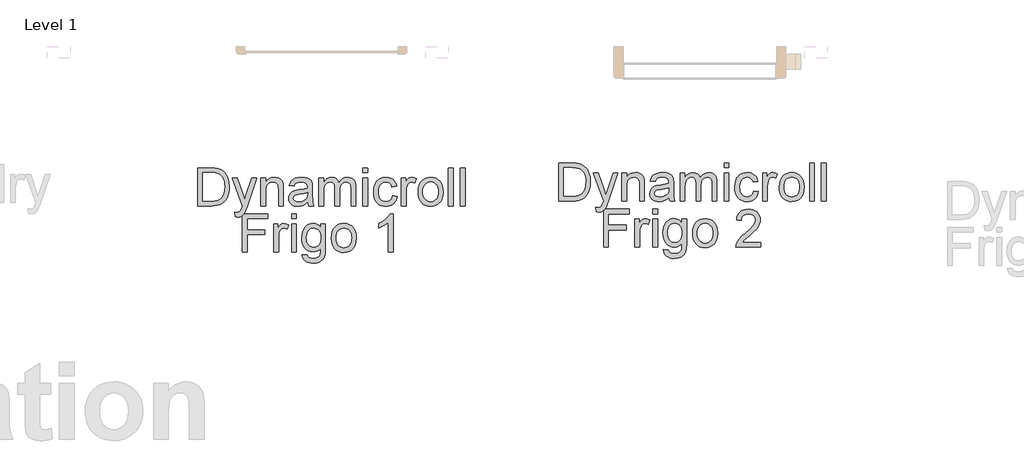
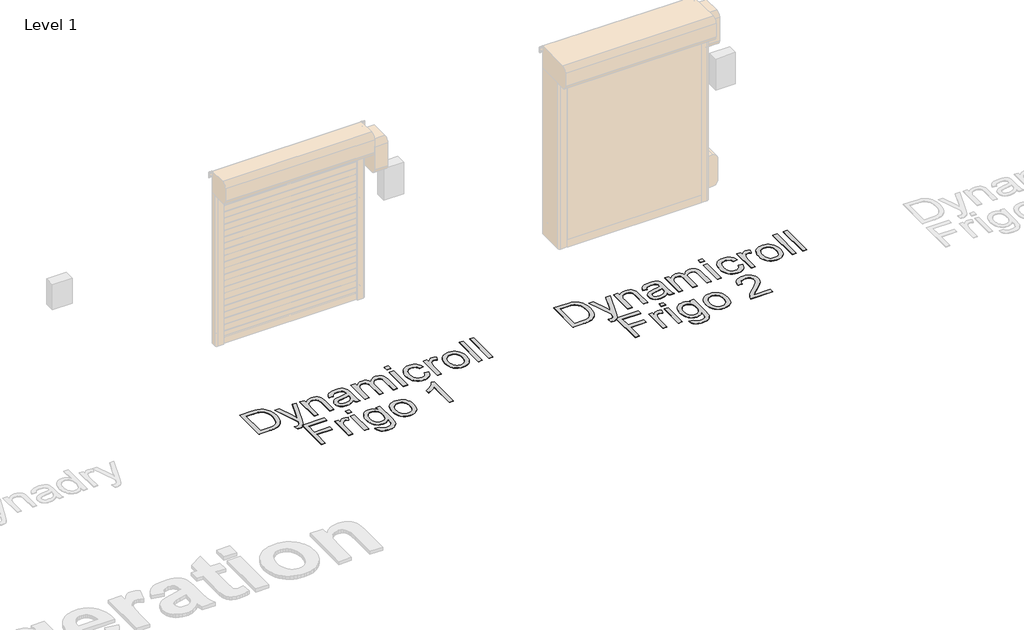
# One storey, part 4 of 18: 2 proxies.
"""IFC4 building model written with IfcOpenShell, lengths in millimetres."""

from ifc_helpers import new_model, si_unit, origin, origin_with_axes, place, context, project, spatial, polyline, outline, extrude, element, save

model = new_model("IFC4")

# Units and contexts
model_context = context("Model", 3, world=origin())
ifc_project = project(units=[si_unit("LENGTHUNIT", "METRE", prefix="MILLI")], contexts=[model_context])

# Site, building, storey
site = spatial("IfcSite", under=ifc_project)
building = spatial("IfcBuilding", under=site)
storey = spatial("IfcBuildingStorey", under=building, Name="Level 1", Elevation=0.0)

# Proxies
placement = place(None, origin())
element("IfcBuildingElementProxy", 1, Name="500mm", ObjectType="500mm", at=placement, inside=storey, context=model_context, shape_type="SweptSolid", body=[
    extrude(outline(polyline([(14861.4528433, 7547.2366873), (14861.4528433, 8049.5182381), (15034.725263, 8049.5182381), (15086.5046538, 8047.7094849), (15124.3658425, 8042.2832255), (15164.4036663, 8028.3343665), (15198.1874962, 8006.3534173), (15216.803858, 7988.3885132), (15232.9216879, 7968.0936898), (15246.5409859, 7945.4689471), (15257.6617521, 7920.5142851), (15272.4690024, 7864.5349081), (15277.4047525, 7801.075264), (15274.0631577, 7747.1652233), (15264.0383733, 7699.7237743), (15248.7712705, 7659.3333969), (15229.7027204, 7626.5765709), (15207.752428, 7600.7175324), (15183.8400984, 7581.0205172), (15156.3869045, 7566.4125363), (15123.8140195, 7555.8206005), (15086.0601297, 7549.3826656), (15043.0639215, 7547.2366873), (14861.4528433, 7547.2366873)]), holes=[polyline([(14924.2380371, 7610.0218811), (15035.3383996, 7610.0218811), (15081.2929922, 7612.2904868), (15116.1498112, 7619.0963037), (15142.4533739, 7630.0407931), (15162.7481973, 7644.725416), (15184.5605339, 7671.9026984), (15200.9466111, 7707.0814142), (15211.2013218, 7750.4148476), (15214.6195586, 7802.0562826), (15212.9449291, 7838.507257), (15207.9210406, 7870.4823337), (15199.5478931, 7897.9815129), (15187.8254866, 7921.0047944), (15173.704183, 7940.0733445), (15158.1343439, 7955.7083293), (15141.1159696, 7967.9097488), (15122.6490598, 7976.677603), (15086.5353106, 7984.2191839), (15033.621617, 7986.7330442), (14924.2380371, 7986.7330442), (14924.2380371, 7610.0218811)])]), origin_with_axes(), (0.0, 0.0, 1.0), 5.0),
    extrude(outline(polyline([(15355.8862448, 7405.9700012), (15348.0380955, 7466.4252757), (15379.9212018, 7460.9070458), (15396.6904894, 7462.6391568), (15409.7196434, 7467.83549), (15419.8670551, 7476.1281633), (15427.9911158, 7487.1492948), (15445.1589423, 7533.3797988), (15450.0640355, 7548.585588), (15316.6454986, 7916.0997011), (15382.8642578, 7916.0997011), (15453.6202282, 7711.3120572), (15478.2683218, 7629.3969996), (15502.9164155, 7701.7471253), (15575.6344232, 7916.0997011), (15641.362673, 7916.0997011), (15512.9718567, 7538.4075194), (15479.6172225, 7456.4924618), (15462.5413665, 7430.3421833), (15443.196905, 7412.2239951), (15420.7254464, 7401.6473877), (15394.2685996, 7398.1218519), (15376.0890977, 7400.0838892), (15355.8862448, 7405.9700012)])), origin_with_axes(), (0.0, 0.0, 1.0), 5.0),
    extrude(outline(polyline([(15693.3566617, 7547.2366873), (15693.3566617, 7916.0997011), (15756.1418555, 7916.0997011), (15756.1418555, 7864.5962218), (15777.9541922, 7890.5625593), (15804.1504559, 7909.1099432), (15834.7306467, 7920.2383736), (15869.6947647, 7923.9478504), (15900.6428375, 7920.9588092), (15928.9850796, 7911.9916855), (15952.6214978, 7898.1654539), (15969.4520991, 7880.5990886), (15980.8717693, 7859.338575), (15988.2753945, 7834.4298982), (15991.5863324, 7773.729369), (15991.5863324, 7547.2366873), (15928.8011386, 7547.2366873), (15928.8011386, 7765.2680831), (15926.9923855, 7797.7336692), (15921.566126, 7820.8182644), (15911.5566701, 7837.3576258), (15895.9983274, 7850.1875103), (15876.0560575, 7858.41887), (15852.8948203, 7861.1626565), (15833.8301023, 7859.6221507), (15816.1219492, 7855.0006331), (15799.7703609, 7847.2981038), (15784.7753375, 7836.5145628), (15772.2481891, 7821.4237368), (15763.300226, 7800.7993525), (15757.9314481, 7774.6414098), (15756.1418555, 7742.9499087), (15756.1418555, 7547.2366873), (15693.3566617, 7547.2366873)])), origin_with_axes(), (0.0, 0.0, 1.0), 5.0),
    extrude(outline(polyline([(16313.3604509, 7594.3255827), (16283.3627399, 7568.6044999), (16252.4759807, 7551.7738986), (16219.9950662, 7542.4848782), (16185.2148892, 7539.3885381), (16157.2596897, 7541.2509407), (16132.7457197, 7546.8381485), (16111.6729791, 7556.1501615), (16094.0414681, 7569.1869797), (16080.1194338, 7585.1208686), (16070.1751237, 7603.1240937), (16064.2085375, 7623.1966551), (16062.2196755, 7645.3385527), (16065.2240451, 7671.3662038), (16074.237154, 7695.002622), (16088.1400278, 7715.2361318), (16105.8136919, 7731.0550576), (16126.5836963, 7743.0112224), (16149.7755904, 7751.6564493), (16204.0994983, 7761.0987538), (16268.2949065, 7771.0315677), (16312.9925689, 7782.6811642), (16313.3604509, 7796.66068), (16309.0378374, 7824.6810253), (16296.0699971, 7843.0138114), (16282.9948579, 7850.9539312), (16267.0686332, 7856.6254452), (16226.6629274, 7861.1626565), (16189.2615912, 7858.1429585), (16163.1419695, 7849.0838643), (16145.3303496, 7832.3299052), (16132.8530186, 7806.2256119), (16070.0678247, 7814.0737611), (16080.9663289, 7848.409414), (16097.2297787, 7875.387427), (16120.3756876, 7896.0194756), (16151.9215687, 7911.3172352), (16190.5031929, 7920.7901966), (16234.7563313, 7923.9478504), (16277.2007164, 7921.1580786), (16310.8465906, 7912.7887632), (16336.2151198, 7900.2041333), (16353.8274704, 7884.7684179), (16365.5077237, 7865.6845394), (16373.0799614, 7842.1554201), (16376.1456447, 7787.2183755), (16376.1456447, 7709.1047652), (16379.3339554, 7600.0277536), (16384.0551076, 7573.065069), (16391.8419432, 7547.2366873), (16329.0567493, 7547.2366873), (16319.0013081, 7569.0643524), (16313.3604509, 7594.3255827)]), holes=[polyline([(16313.3604509, 7719.8959704), (16271.1766488, 7709.4419903), (16212.0702749, 7700.6434793), (16158.0529353, 7690.4654108), (16143.9967774, 7683.5063097), (16133.5887826, 7673.910721), (16127.1508477, 7662.4144086), (16125.0048694, 7649.7531366), (16129.6800364, 7631.0831254), (16143.7055374, 7615.7853657), (16166.7748042, 7605.5766404), (16198.5812684, 7602.1737319), (16232.3037846, 7605.929194), (16262.1022262, 7617.1955801), (16286.2598106, 7633.7962551), (16303.059755, 7653.5545839), (16310.5093654, 7673.910721), (16312.9925689, 7702.1150073), (16313.3604509, 7719.8959704)])]), origin_with_axes(), (0.0, 0.0, 1.0), 5.0),
    extrude(outline(polyline([(16462.4752863, 7547.2366873), (16462.4752863, 7916.0997011), (16525.2604801, 7916.0997011), (16525.2604801, 7855.3991719), (16544.1450892, 7883.2815615), (16568.4253009, 7905.1245549), (16597.2733807, 7919.2420265), (16629.8615941, 7923.9478504), (16664.7797268, 7919.150056), (16692.7694152, 7904.756673), (16713.6773753, 7881.718063), (16727.3503228, 7850.984588), (16750.2356486, 7882.9060153), (16776.3399418, 7905.7070348), (16805.6632025, 7919.3876465), (16838.2054307, 7923.9478504), (16863.3402016, 7922.0509588), (16885.401625, 7916.3602842), (16904.3897009, 7906.8758265), (16920.3044293, 7893.5975858), (16932.8852271, 7876.3722778), (16941.8715112, 7855.0466184), (16947.2632817, 7829.6206075), (16949.0605386, 7800.0942453), (16949.0605386, 7547.2366873), (16886.2753447, 7547.2366873), (16886.2753447, 7773.1162323), (16884.8191451, 7804.4321872), (16880.4505465, 7825.5394167), (16872.2651721, 7839.9941134), (16859.3586454, 7851.35247), (16842.7579704, 7858.7101099), (16823.4901509, 7861.1626565), (16805.6976915, 7859.5914938), (16789.4763947, 7854.8780058), (16774.8262607, 7847.0221923), (16761.7472893, 7836.0240535), (16750.9905731, 7821.5616926), (16743.3072043, 7803.3132128), (16738.6971831, 7781.2786141), (16737.1605093, 7755.4578966), (16737.1605093, 7547.2366873), (16674.3753155, 7547.2366873), (16674.3753155, 7780.1059903), (16670.7424808, 7815.6066028), (16659.8439767, 7840.9291468), (16651.4171797, 7849.7813073), (16640.6681277, 7856.1042791), (16612.2032583, 7861.1626565), (16588.0150171, 7857.7904049), (16565.7274996, 7847.67365), (16547.3333998, 7831.0576466), (16534.825412, 7808.1876492), (16527.6517131, 7776.4578271), (16525.2604801, 7733.2623495), (16525.2604801, 7547.2366873), (16462.4752863, 7547.2366873)])), origin_with_axes(), (0.0, 0.0, 1.0), 5.0),
    extrude(outline(polyline([(17043.2383293, 7986.7330442), (17043.2383293, 8049.5182381), (17106.0235232, 8049.5182381), (17106.0235232, 7986.7330442), (17043.2383293, 7986.7330442)])), origin_with_axes(), (0.0, 0.0, 1.0), 5.0),
    extrude(outline(polyline([(17043.2383293, 7547.2366873), (17043.2383293, 7916.0997011), (17106.0235232, 7916.0997011), (17106.0235232, 7547.2366873), (17043.2383293, 7547.2366873)])), origin_with_axes(), (0.0, 0.0, 1.0), 5.0),
    extrude(outline(polyline([(17435.6457908, 7680.6552242), (17498.4309847, 7672.807075), (17491.6021751, 7643.1810781), (17480.9259331, 7616.9656538), (17466.4022585, 7594.1608022), (17448.0311513, 7574.7665233), (17426.5866967, 7559.2886548), (17402.8429796, 7548.2330344), (17376.8, 7541.5996621), (17348.457758, 7539.3885381), (17313.2445533, 7542.4733819), (17281.6718474, 7551.7279133), (17253.7396405, 7567.1521324), (17229.4479325, 7588.7460391), (17209.7854063, 7616.1034304), (17195.7407447, 7648.8181032), (17187.3139478, 7686.8900576), (17184.5050155, 7730.3192936), (17189.3028098, 7786.1913716), (17203.6961929, 7834.6138392), (17214.5487117, 7855.5639524), (17227.9150909, 7873.7166296), (17243.7953304, 7889.0718708), (17262.1894301, 7901.629676), (17303.1929442, 7918.3683068), (17347.5993667, 7923.9478504), (17375.4549315, 7922.0317983), (17400.651016, 7916.2836421), (17423.1876204, 7906.7033818), (17443.0647444, 7893.2910174), (17459.945163, 7876.3531172), (17473.4916511, 7856.1962496), (17483.7042086, 7832.8204145), (17490.5828355, 7806.2256119), (17427.7976416, 7798.3774627), (17416.4086282, 7825.7693429), (17398.6736503, 7845.4050444), (17375.5737267, 7857.2232535), (17348.089876, 7861.1626565), (17326.7565524, 7859.2236118), (17307.5155576, 7853.4064778), (17290.3668917, 7843.7112544), (17275.3105546, 7830.1379416), (17263.0516535, 7812.3723069), (17254.2952956, 7790.1001178), (17249.0414809, 7763.3213742), (17247.2902093, 7732.0360762), (17249.0031598, 7700.2794294), (17254.1420115, 7673.1902854), (17262.7067642, 7650.7686442), (17274.6974179, 7633.0145058), (17289.4548509, 7619.5216673), (17306.3199411, 7609.8839254), (17325.2926886, 7604.1012803), (17346.3730933, 7602.1737319), (17378.8846647, 7606.9868547), (17405.5407809, 7621.426223), (17416.3204898, 7632.3477197), (17424.9312277, 7645.8597188), (17435.6457908, 7680.6552242)])), origin_with_axes(), (0.0, 0.0, 1.0), 5.0),
    extrude(outline(polyline([(17553.3680293, 7547.2366873), (17553.3680293, 7916.0997011), (17608.3050739, 7916.0997011), (17608.3050739, 7861.5305385), (17628.5998973, 7893.1683901), (17647.3005654, 7911.8077445), (17666.0625472, 7920.9128239), (17686.5413115, 7923.9478504), (17717.8112811, 7919.1040708), (17749.5717601, 7904.572732), (17728.6024863, 7848.2867867), (17706.5295666, 7857.9436891), (17684.4566469, 7861.1626565), (17665.7099936, 7858.0663164), (17648.9560344, 7848.777296), (17635.4210426, 7834.0007025), (17626.3312917, 7814.4416431), (17618.6977403, 7779.3702263), (17616.1532231, 7741.1104988), (17616.1532231, 7547.2366873), (17553.3680293, 7547.2366873)])), origin_with_axes(), (0.0, 0.0, 1.0), 5.0),
    extrude(outline(polyline([(17773.1162077, 7731.6681942), (17776.511452, 7779.4392041), (17786.6971847, 7820.6036666), (17803.673406, 7855.1615815), (17827.4401157, 7883.1129489), (17851.3677738, 7900.9782183), (17877.7786354, 7913.739125), (17906.6727004, 7921.395669), (17938.0499689, 7923.9478504), (17972.688358, 7920.8400139), (18004.008145, 7911.5165046), (18032.0093297, 7895.9773224), (18056.6919124, 7874.2224674), (18076.8372837, 7846.9877034), (18091.2268347, 7815.0087945), (18099.8605652, 7778.2857408), (18102.7384754, 7736.8185422), (18097.6494412, 7673.3895548), (18091.2881483, 7647.3542395), (18082.3823384, 7625.105043), (18071.0431423, 7605.8870408), (18057.3816911, 7588.9453085), (18041.3979848, 7574.2798461), (18023.0920235, 7561.8906534), (17982.3644209, 7545.0140669), (17938.0499689, 7539.3885381), (17902.9057421, 7542.4848782), (17871.2947152, 7551.7738986), (17843.2168883, 7567.2555992), (17818.6722615, 7588.9299801), (17798.741488, 7616.4291592), (17784.5052212, 7649.3852546), (17775.9634611, 7687.7982663), (17773.1162077, 7731.6681942)]), holes=[polyline([(17835.9014016, 7731.7908216), (17837.7178189, 7701.3370901), (17843.167071, 7674.9683817), (17852.2491578, 7652.6846963), (17864.9640792, 7634.4860338), (17880.4304514, 7620.3494017), (17897.7668904, 7610.2518074), (17916.9733963, 7604.1932508), (17938.0499689, 7602.1737319), (17959.0192426, 7604.2047471), (17978.1491064, 7610.2977926), (17995.4395602, 7620.4528686), (18010.890604, 7634.6699748), (18023.6055254, 7653.0487462), (18032.6876122, 7675.6888173), (18038.1368642, 7702.5901882), (18039.9532816, 7733.7528589), (18038.1253679, 7763.2409), (18032.6416269, 7788.9198297), (18023.5020586, 7810.7896479), (18010.706663, 7828.8503546), (17995.1981376, 7842.9869867), (17977.9191801, 7853.084581), (17958.8697906, 7859.1431377), (17938.0499689, 7861.1626565), (17916.9733963, 7859.1508019), (17897.7668904, 7853.1152379), (17880.4304514, 7843.0559646), (17864.9640792, 7828.9729819), (17852.2491578, 7810.827969), (17843.167071, 7788.5826046), (17837.7178189, 7762.2368888), (17835.9014016, 7731.7908216)])]), origin_with_axes(), (0.0, 0.0, 1.0), 5.0),
    extrude(outline(polyline([(18173.3718185, 7547.2366873), (18173.3718185, 8049.5182381), (18236.1570123, 8049.5182381), (18236.1570123, 7547.2366873), (18173.3718185, 7547.2366873)])), origin_with_axes(), (0.0, 0.0, 1.0), 5.0),
    extrude(outline(polyline([(18330.3348031, 7547.2366873), (18330.3348031, 8049.5182381), (18393.119997, 8049.5182381), (18393.119997, 7547.2366873), (18330.3348031, 7547.2366873)])), origin_with_axes(), (0.0, 0.0, 1.0), 5.0),
    extrude(outline(polyline([(15450.0640355, 6937.3625981), (15450.0640355, 7439.6441488), (15787.5344524, 7439.6441488), (15787.5344524, 7376.858955), (15512.8492294, 7376.858955), (15512.8492294, 7227.7441196), (15748.2937063, 7227.7441196), (15748.2937063, 7164.9589258), (15512.8492294, 7164.9589258), (15512.8492294, 6937.3625981), (15450.0640355, 6937.3625981)])), origin_with_axes(), (0.0, 0.0, 1.0), 5.0),
    extrude(outline(polyline([(15866.0159448, 6937.3625981), (15866.0159448, 7306.2256119), (15920.9529894, 7306.2256119), (15920.9529894, 7251.6564493), (15941.2478128, 7283.2943009), (15959.9484809, 7301.9336553), (15978.7104626, 7311.0387347), (15999.189227, 7314.0737611), (16030.4591966, 7309.2299815), (16062.2196755, 7294.6986427), (16041.2504018, 7238.4126975), (16019.1774821, 7248.0695998), (15997.1045624, 7251.2885673), (15978.357909, 7248.1922272), (15961.6039498, 7238.9032068), (15948.0689581, 7224.1266133), (15938.9792071, 7204.5675539), (15931.3456557, 7169.496137), (15928.8011386, 7131.2364095), (15928.8011386, 6937.3625981), (15866.0159448, 6937.3625981)])), origin_with_axes(), (0.0, 0.0, 1.0), 5.0),
    extrude(outline(polyline([(16101.4604217, 7376.858955), (16101.4604217, 7439.6441488), (16164.2456155, 7439.6441488), (16164.2456155, 7376.858955), (16101.4604217, 7376.858955)])), origin_with_axes(), (0.0, 0.0, 1.0), 5.0),
    extrude(outline(polyline([(16101.4604217, 6937.3625981), (16101.4604217, 7306.2256119), (16164.2456155, 7306.2256119), (16164.2456155, 6937.3625981), (16101.4604217, 6937.3625981)])), origin_with_axes(), (0.0, 0.0, 1.0), 5.0),
    extrude(outline(polyline([(16242.7271078, 6905.9700012), (16305.5123017, 6898.1218519), (16312.4407459, 6878.5014789), (16325.8684387, 6865.0124724), (16352.2639719, 6854.5278355), (16386.8142226, 6851.0329565), (16423.6637358, 6854.987688), (16451.0709444, 6866.8518823), (16470.0781808, 6885.8591188), (16481.7277773, 6911.2429764), (16485.1306858, 6938.2516462), (16486.019734, 6984.4514935), (16465.1271023, 6963.8501017), (16441.8125809, 6949.1348219), (16416.0761696, 6940.305654), (16387.9178686, 6937.3625981), (16353.4940773, 6940.7884992), (16323.1859658, 6951.0662024), (16296.9935342, 6968.1957078), (16274.9167824, 6992.1770154), (16257.4002345, 7020.9484531), (16244.8884145, 7052.4483489), (16237.3813226, 7086.6767029), (16234.8789586, 7123.633515), (16239.3701846, 7174.3245882), (16252.8438627, 7220.9383027), (16274.8248119, 7260.4396319), (16288.8273203, 7276.3850172), (16304.8378513, 7289.7935495), (16322.5996539, 7300.4161421), (16341.8559771, 7308.0037082), (16362.6068209, 7312.5562479), (16384.8521853, 7314.0737611), (16414.213767, 7310.6401959), (16440.862219, 7300.3395), (16464.7975414, 7283.1716735), (16486.019734, 7259.1367165), (16486.019734, 7306.2256119), (16548.8049278, 7306.2256119), (16548.8049278, 6987.7624314), (16544.5129712, 6914.2320176), (16539.1480254, 6886.8822906), (16531.6371014, 6865.80955), (16509.4568827, 6833.6965175), (16477.2518797, 6809.0944091), (16457.5663609, 6799.9740013), (16435.7271995, 6793.4594243), (16385.5879493, 6788.2477627), (16354.8276495, 6790.0833406), (16327.1713541, 6795.5900742), (16302.619063, 6804.7679635), (16281.1707763, 6817.6170086), (16263.8458336, 6834.1525379), (16251.6635746, 6854.3898798), (16244.6239994, 6878.3290342), (16242.7271078, 6905.9700012)]), holes=[polyline([(16297.6641524, 7127.9254716), (16299.3387819, 7096.8815961), (16304.3626704, 7070.3366109), (16312.7358179, 7048.2905159), (16324.4582244, 7030.7433112), (16338.7098196, 7017.3577715), (16354.6705333, 7007.7966717), (16372.3403653, 7002.0600119), (16391.7193159, 7000.1477919), (16410.9066612, 7002.0485156), (16428.492187, 7007.7506865), (16444.4758932, 7017.2543047), (16458.85778, 7030.5593702), (16470.7411348, 7047.9341303), (16479.2292455, 7069.6468322), (16484.3221118, 7095.697476), (16486.019734, 7126.0860616), (16484.2722945, 7155.2062208), (16479.029976, 7180.5172685), (16470.2927787, 7202.0192047), (16458.0607023, 7219.7120294), (16443.3684151, 7233.5267647), (16427.2505852, 7243.3944328), (16409.7072126, 7249.3150337), (16390.7382972, 7251.2885673), (16372.0874465, 7249.3456905), (16354.8851311, 7243.5170601), (16339.1313511, 7233.8026762), (16324.8261064, 7220.2025387), (16312.9427515, 7202.7779613), (16304.4546409, 7181.5902576), (16299.3617745, 7156.6394277), (16297.6641524, 7127.9254716)])]), origin_with_axes(), (0.0, 0.0, 1.0), 5.0),
    extrude(outline(polyline([(16627.2864201, 7121.794105), (16630.6816644, 7169.5651149), (16640.8673971, 7210.7295773), (16657.8436183, 7245.2874923), (16681.6103281, 7273.2388597), (16705.5379862, 7291.1041291), (16731.9488477, 7303.8650358), (16760.8429128, 7311.5215798), (16792.2201813, 7314.0737611), (16826.8585704, 7310.9659247), (16858.1783573, 7301.6424154), (16886.1795421, 7286.1032332), (16910.8621247, 7264.3483781), (16931.0074961, 7237.1136142), (16945.397047, 7205.1347053), (16954.0307776, 7168.4116516), (16956.9086878, 7126.9444529), (16951.8196535, 7063.5154656), (16945.4583607, 7037.4801502), (16936.5525507, 7015.2309537), (16925.2133546, 6996.0129516), (16911.5519035, 6979.0712193), (16895.5681972, 6964.4057568), (16877.2622358, 6952.0165642), (16836.5346333, 6935.1399777), (16792.2201813, 6929.5144488), (16757.0759544, 6932.610789), (16725.4649276, 6941.8998094), (16697.3871007, 6957.38151), (16672.8424738, 6979.0558909), (16652.9117003, 7006.55507), (16638.6754335, 7039.5111654), (16630.1336735, 7077.9241771), (16627.2864201, 7121.794105)]), holes=[polyline([(16690.0716139, 7121.9167323), (16691.8880313, 7091.4630009), (16697.3372834, 7065.0942925), (16706.4193701, 7042.8106071), (16719.1342916, 7024.6119446), (16734.6006638, 7010.4753125), (16751.9371028, 7000.3777182), (16771.1436086, 6994.3191616), (16792.2201813, 6992.2996427), (16813.189455, 6994.3306579), (16832.3193187, 7000.4237034), (16849.6097725, 7010.5787793), (16865.0608163, 7024.7958856), (16877.7757378, 7043.1746569), (16886.8578245, 7065.8147281), (16892.3070766, 7092.716099), (16894.1234939, 7123.8787696), (16892.2955803, 7153.3668108), (16886.8118393, 7179.0457405), (16877.672271, 7200.9155587), (16864.8768753, 7218.9762654), (16849.36835, 7233.1128975), (16832.0893925, 7243.2104918), (16813.0400029, 7249.2690484), (16792.2201813, 7251.2885673), (16771.1436086, 7249.2767126), (16751.9371028, 7243.2411487), (16734.6006638, 7233.1818753), (16719.1342916, 7219.0988927), (16706.4193701, 7200.9538797), (16697.3372834, 7178.7085153), (16691.8880313, 7152.3627995), (16690.0716139, 7121.9167323)])]), origin_with_axes(), (0.0, 0.0, 1.0), 5.0),
    extrude(outline(polyline([(17443.4939401, 6937.3625981), (17380.7087462, 6937.3625981), (17380.7087462, 7328.7890409), (17354.4971541, 7307.589841), (17321.2344903, 7286.4212978), (17255.1383585, 7254.7221326), (17255.1383585, 7314.0737611), (17304.4498743, 7340.89849), (17347.170171, 7372.812253), (17380.846702, 7406.7493671), (17403.0269206, 7439.6441488), (17443.4939401, 7439.6441488), (17443.4939401, 6937.3625981)])), origin_with_axes(), (0.0, 0.0, 1.0), 5.0),
])
element("IfcBuildingElementProxy", 2, Name="500mm", ObjectType="500mm", at=placement, inside=storey, context=model_context, shape_type="SweptSolid", body=[
    extrude(outline(polyline([(19635.3862268, 7610.4555859), (19635.3862268, 8112.7371367), (19808.6586466, 8112.7371367), (19860.4380374, 8110.9283835), (19898.299226, 8105.5021241), (19938.3370499, 8091.5532651), (19972.1208797, 8069.5723159), (19990.7372415, 8051.6074118), (20006.8550715, 8031.3125884), (20020.4743695, 8008.6878457), (20031.5951356, 7983.7331837), (20046.4023859, 7927.7538068), (20051.338136, 7864.2941626), (20047.9965413, 7810.3841219), (20037.9717569, 7762.9426729), (20022.7046541, 7722.5522955), (20003.636104, 7689.7954695), (19981.6858116, 7663.936431), (19957.7734819, 7644.2394158), (19930.320288, 7629.6314349), (19897.7474031, 7619.0394991), (19859.9935133, 7612.6015642), (19816.9973051, 7610.4555859), (19635.3862268, 7610.4555859)]), holes=[polyline([(19698.1714207, 7673.2407798), (19809.2717832, 7673.2407798), (19855.2263758, 7675.5093854), (19890.0831948, 7682.3152023), (19916.3867575, 7693.2596917), (19936.6815809, 7707.9443146), (19958.4939175, 7735.121597), (19974.8799947, 7770.3003128), (19985.1347053, 7813.6337462), (19988.5529422, 7865.2751812), (19986.8783127, 7901.7261556), (19981.8544242, 7933.7012323), (19973.4812767, 7961.2004115), (19961.7588702, 7984.223693), (19947.6375665, 8003.2922431), (19932.0677275, 8018.9272279), (19915.0493531, 8031.1286474), (19896.5824434, 8039.8965016), (19860.4686942, 8047.4380825), (19807.5550006, 8049.9519428), (19698.1714207, 8049.9519428), (19698.1714207, 7673.2407798)])]), origin_with_axes(), (0.0, 0.0, 1.0), 5.0),
    extrude(outline(polyline([(20129.8196283, 7469.1888998), (20121.9714791, 7529.6441743), (20153.8545854, 7524.1259444), (20170.623873, 7525.8580554), (20183.653027, 7531.0543886), (20193.8004387, 7539.3470619), (20201.9244994, 7550.3681934), (20219.0923258, 7596.5986974), (20223.9974191, 7611.8044866), (20090.5788822, 7979.3185997), (20156.7976413, 7979.3185997), (20227.5536117, 7774.5309558), (20252.2017054, 7692.6158982), (20276.8497991, 7764.9660239), (20349.5678068, 7979.3185997), (20415.2960566, 7979.3185997), (20286.9052403, 7601.626418), (20253.5506061, 7519.7113604), (20236.4747501, 7493.5610819), (20217.1302885, 7475.4428937), (20194.65883, 7464.8662863), (20168.2019832, 7461.3407505), (20150.0224812, 7463.3027878), (20129.8196283, 7469.1888998)])), origin_with_axes(), (0.0, 0.0, 1.0), 5.0),
    extrude(outline(polyline([(20467.2900453, 7610.4555859), (20467.2900453, 7979.3185997), (20530.0752391, 7979.3185997), (20530.0752391, 7927.8151204), (20551.8875757, 7953.7814579), (20578.0838395, 7972.3288418), (20608.6640303, 7983.4572722), (20643.6281483, 7987.166749), (20674.5762211, 7984.1777078), (20702.9184632, 7975.2105841), (20726.5548814, 7961.3843525), (20743.3854826, 7943.8179872), (20754.8051529, 7922.5574736), (20762.2087781, 7897.6487968), (20765.519716, 7836.9482676), (20765.519716, 7610.4555859), (20702.7345222, 7610.4555859), (20702.7345222, 7828.4869817), (20700.925769, 7860.9525678), (20695.4995096, 7884.037163), (20685.4900536, 7900.5765244), (20669.9317109, 7913.4064089), (20649.9894411, 7921.6377686), (20626.8282038, 7924.3815551), (20607.7634859, 7922.8410493), (20590.0553327, 7918.2195317), (20573.7037445, 7910.5170024), (20558.7087211, 7899.7334615), (20546.1815727, 7884.6426354), (20537.2336096, 7864.0182511), (20531.8648317, 7837.8603084), (20530.0752391, 7806.1688073), (20530.0752391, 7610.4555859), (20467.2900453, 7610.4555859)])), origin_with_axes(), (0.0, 0.0, 1.0), 5.0),
    extrude(outline(polyline([(21087.2938345, 7657.5444813), (21057.2961234, 7631.8233985), (21026.4093643, 7614.9927972), (20993.9284498, 7605.7037768), (20959.1482728, 7602.6074367), (20931.1930733, 7604.4698393), (20906.6791032, 7610.0570471), (20885.6063627, 7619.3690601), (20867.9748517, 7632.4058783), (20854.0528174, 7648.3397672), (20844.1085072, 7666.3429923), (20838.1419211, 7686.4155537), (20836.1530591, 7708.5574513), (20839.1574287, 7734.5851025), (20848.1705376, 7758.2215206), (20862.0734113, 7778.4550304), (20879.7470755, 7794.2739562), (20900.5170798, 7806.230121), (20923.7089739, 7814.8753479), (20978.0328819, 7824.3176524), (21042.2282901, 7834.2504663), (21086.9259525, 7845.9000628), (21087.2938345, 7859.8795786), (21082.971221, 7887.8999239), (21070.0033807, 7906.23271), (21056.9282414, 7914.1728298), (21041.0020167, 7919.8443439), (21000.5963109, 7924.3815551), (20963.1949748, 7921.3618571), (20937.0753531, 7912.302763), (20919.2637332, 7895.5488038), (20906.7864022, 7869.4445105), (20844.0012083, 7877.2926597), (20854.8997124, 7911.6283126), (20871.1631623, 7938.6063256), (20894.3090712, 7959.2383742), (20925.8549522, 7974.5361338), (20964.4365765, 7984.0090952), (21008.6897148, 7987.166749), (21051.1341, 7984.3769772), (21084.7799742, 7976.0076618), (21110.1485034, 7963.4230319), (21127.7608539, 7947.9873165), (21139.4411073, 7928.903438), (21147.013345, 7905.3743187), (21150.0790283, 7850.4372741), (21150.0790283, 7772.3236638), (21153.2673389, 7663.2466522), (21157.9884912, 7636.2839677), (21165.7753268, 7610.4555859), (21102.9901329, 7610.4555859), (21092.9346917, 7632.283251), (21087.2938345, 7657.5444813)]), holes=[polyline([(21087.2938345, 7783.114869), (21045.1100323, 7772.660889), (20986.0036585, 7763.8623779), (20931.9863188, 7753.6843094), (20917.9301609, 7746.7252083), (20907.5221662, 7737.1296196), (20901.0842312, 7725.6333072), (20898.9382529, 7712.9720352), (20903.61342, 7694.302024), (20917.638921, 7679.0042643), (20940.7081878, 7668.795539), (20972.514652, 7665.3926305), (21006.2371682, 7669.1480926), (21036.0356098, 7680.4144787), (21060.1931941, 7697.0151537), (21076.9931386, 7716.7734825), (21084.442749, 7737.1296196), (21086.9259525, 7765.3339059), (21087.2938345, 7783.114869)])]), origin_with_axes(), (0.0, 0.0, 1.0), 5.0),
    extrude(outline(polyline([(21236.4086698, 7610.4555859), (21236.4086698, 7979.3185997), (21299.1938637, 7979.3185997), (21299.1938637, 7918.6180705), (21318.0784728, 7946.5004601), (21342.3586844, 7968.3434536), (21371.2067642, 7982.4609251), (21403.7949776, 7987.166749), (21438.7131104, 7982.3689546), (21466.7027988, 7967.9755716), (21487.6107589, 7944.9369616), (21501.2837064, 7914.2034866), (21524.1690321, 7946.1249139), (21550.2733254, 7968.9259334), (21579.5965861, 7982.6065451), (21612.1388142, 7987.166749), (21637.2735851, 7985.2698574), (21659.3350085, 7979.5791828), (21678.3230844, 7970.0947251), (21694.2378128, 7956.8164844), (21706.8186107, 7939.5911764), (21715.8048948, 7918.265517), (21721.1966653, 7892.8395061), (21722.9939221, 7863.3131439), (21722.9939221, 7610.4555859), (21660.2087283, 7610.4555859), (21660.2087283, 7836.335131), (21658.7525287, 7867.6510858), (21654.38393, 7888.7583153), (21646.1985556, 7903.213012), (21633.292029, 7914.5713686), (21616.6913539, 7921.9290085), (21597.4235344, 7924.3815551), (21579.631075, 7922.8103924), (21563.4097783, 7918.0969044), (21548.7596443, 7910.2410909), (21535.6806729, 7899.2429521), (21524.9239567, 7884.7805912), (21517.2405879, 7866.5321114), (21512.6305667, 7844.4975127), (21511.0938929, 7818.6767952), (21511.0938929, 7610.4555859), (21448.3086991, 7610.4555859), (21448.3086991, 7843.3248889), (21444.6758644, 7878.8255014), (21433.7773603, 7904.1480454), (21425.3505633, 7913.0002059), (21414.6015113, 7919.3231777), (21386.1366419, 7924.3815551), (21361.9484007, 7921.0093035), (21339.6608832, 7910.8925486), (21321.2667834, 7894.2765452), (21308.7587956, 7871.4065478), (21301.5850967, 7839.6767257), (21299.1938637, 7796.4812481), (21299.1938637, 7610.4555859), (21236.4086698, 7610.4555859)])), origin_with_axes(), (0.0, 0.0, 1.0), 5.0),
    extrude(outline(polyline([(21817.1717129, 8049.9519428), (21817.1717129, 8112.7371367), (21879.9569067, 8112.7371367), (21879.9569067, 8049.9519428), (21817.1717129, 8049.9519428)])), origin_with_axes(), (0.0, 0.0, 1.0), 5.0),
    extrude(outline(polyline([(21817.1717129, 7610.4555859), (21817.1717129, 7979.3185997), (21879.9569067, 7979.3185997), (21879.9569067, 7610.4555859), (21817.1717129, 7610.4555859)])), origin_with_axes(), (0.0, 0.0, 1.0), 5.0),
    extrude(outline(polyline([(22209.5791744, 7743.8741228), (22272.3643683, 7736.0259736), (22265.5355587, 7706.3999767), (22254.8593167, 7680.1845524), (22240.3356421, 7657.3797008), (22221.9645349, 7637.9854219), (22200.5200803, 7622.5075534), (22176.7763632, 7611.451933), (22150.7333836, 7604.8185608), (22122.3911416, 7602.6074367), (22087.1779368, 7605.6922805), (22055.605231, 7614.9468119), (22027.6730241, 7630.371031), (22003.3813161, 7651.9649377), (21983.7187899, 7679.322329), (21969.6741283, 7712.0370018), (21961.2473314, 7750.1089562), (21958.438399, 7793.5381922), (21963.2361934, 7849.4102702), (21977.6295765, 7897.8327378), (21988.4820953, 7918.782851), (22001.8484745, 7936.9355282), (22017.7287139, 7952.2907694), (22036.1228137, 7964.8485746), (22077.1263277, 7981.5872054), (22121.5327502, 7987.166749), (22149.3883151, 7985.2506969), (22174.5843996, 7979.5025407), (22197.1210039, 7969.9222805), (22216.998128, 7956.509916), (22233.8785466, 7939.5720158), (22247.4250347, 7919.4151482), (22257.6375921, 7896.0393131), (22264.516219, 7869.4445105), (22201.7310252, 7861.5963613), (22190.3420117, 7888.9882415), (22172.6070339, 7908.623943), (22149.5071103, 7920.4421521), (22122.0232596, 7924.3815551), (22100.6899359, 7922.4425104), (22081.4489412, 7916.6253764), (22064.3002753, 7906.930153), (22049.2439382, 7893.3568402), (22036.9850371, 7875.5912055), (22028.2286792, 7853.3190164), (22022.9748645, 7826.5402728), (22021.2235929, 7795.2549748), (22022.9365434, 7763.498328), (22028.075395, 7736.409184), (22036.6401477, 7713.9875428), (22048.6308015, 7696.2334045), (22063.3882345, 7682.7405659), (22080.2533247, 7673.102824), (22099.2260722, 7667.3201789), (22120.3064769, 7665.3926305), (22152.8180482, 7670.2057533), (22179.4741645, 7684.6451216), (22190.2538734, 7695.5666183), (22198.8646113, 7709.0786175), (22209.5791744, 7743.8741228)])), origin_with_axes(), (0.0, 0.0, 1.0), 5.0),
    extrude(outline(polyline([(22327.3014129, 7610.4555859), (22327.3014129, 7979.3185997), (22382.2384575, 7979.3185997), (22382.2384575, 7924.7494371), (22402.5332809, 7956.3872887), (22421.233949, 7975.0266431), (22439.9959307, 7984.1317225), (22460.4746951, 7987.166749), (22491.7446647, 7982.3229694), (22523.5051436, 7967.7916306), (22502.5358699, 7911.5056853), (22480.4629502, 7921.1625877), (22458.3900305, 7924.3815551), (22439.6433771, 7921.285215), (22422.8894179, 7911.9961946), (22409.3544262, 7897.2196012), (22400.2646752, 7877.6605417), (22392.6311238, 7842.5891249), (22390.0866067, 7804.3293974), (22390.0866067, 7610.4555859), (22327.3014129, 7610.4555859)])), origin_with_axes(), (0.0, 0.0, 1.0), 5.0),
    extrude(outline(polyline([(22547.0495913, 7794.8870928), (22550.4448356, 7842.6581027), (22560.6305683, 7883.8225652), (22577.6067895, 7918.3804801), (22601.3734993, 7946.3318475), (22625.3011574, 7964.1971169), (22651.7120189, 7976.9580236), (22680.606084, 7984.6145676), (22711.9833525, 7987.166749), (22746.6217416, 7984.0589125), (22777.9415285, 7974.7354032), (22805.9427133, 7959.196221), (22830.6252959, 7937.441366), (22850.7706673, 7910.206602), (22865.1602182, 7878.2276932), (22873.7939488, 7841.5046394), (22876.671859, 7800.0374408), (22871.5828247, 7736.6084534), (22865.2215319, 7710.5731381), (22856.3157219, 7688.3239416), (22844.9765259, 7669.1059394), (22831.3150747, 7652.1642071), (22815.3313684, 7637.4987447), (22797.025407, 7625.1095521), (22756.2978045, 7608.2329655), (22711.9833525, 7602.6074367), (22676.8391256, 7605.7037768), (22645.2280988, 7614.9927972), (22617.1502719, 7630.4744978), (22592.6056451, 7652.1488787), (22572.6748715, 7679.6480578), (22558.4386048, 7712.6041532), (22549.8968447, 7751.0171649), (22547.0495913, 7794.8870928)]), holes=[polyline([(22609.8347852, 7795.0097202), (22611.6512025, 7764.5559887), (22617.1004546, 7738.1872803), (22626.1825413, 7715.9035949), (22638.8974628, 7697.7049324), (22654.363835, 7683.5683004), (22671.700274, 7673.470706), (22690.9067799, 7667.4121494), (22711.9833525, 7665.3926305), (22732.9526262, 7667.4236457), (22752.08249, 7673.5166913), (22769.3729437, 7683.6717672), (22784.8239875, 7697.8888734), (22797.538909, 7716.2676448), (22806.6209958, 7738.9077159), (22812.0702478, 7765.8090868), (22813.8866652, 7796.9717575), (22812.0587515, 7826.4597986), (22806.5750105, 7852.1387283), (22797.4354422, 7874.0085465), (22784.6400465, 7892.0692532), (22769.1315212, 7906.2058853), (22751.8525637, 7916.3034797), (22732.8031742, 7922.3620363), (22711.9833525, 7924.3815551), (22690.9067799, 7922.3697005), (22671.700274, 7916.3341365), (22654.363835, 7906.2748632), (22638.8974628, 7892.1918806), (22626.1825413, 7874.0468676), (22617.1004546, 7851.8015032), (22611.6512025, 7825.4557874), (22609.8347852, 7795.0097202)])]), origin_with_axes(), (0.0, 0.0, 1.0), 5.0),
    extrude(outline(polyline([(22947.3052021, 7610.4555859), (22947.3052021, 8112.7371367), (23010.0903959, 8112.7371367), (23010.0903959, 7610.4555859), (22947.3052021, 7610.4555859)])), origin_with_axes(), (0.0, 0.0, 1.0), 5.0),
    extrude(outline(polyline([(23104.2681867, 7610.4555859), (23104.2681867, 8112.7371367), (23167.0533805, 8112.7371367), (23167.0533805, 7610.4555859), (23104.2681867, 7610.4555859)])), origin_with_axes(), (0.0, 0.0, 1.0), 5.0),
    extrude(outline(polyline([(20223.9974191, 7000.5814967), (20223.9974191, 7502.8630474), (20561.467836, 7502.8630474), (20561.467836, 7440.0778536), (20286.782613, 7440.0778536), (20286.782613, 7290.9630182), (20522.2270899, 7290.9630182), (20522.2270899, 7228.1778244), (20286.782613, 7228.1778244), (20286.782613, 7000.5814967), (20223.9974191, 7000.5814967)])), origin_with_axes(), (0.0, 0.0, 1.0), 5.0),
    extrude(outline(polyline([(20639.9493283, 7000.5814967), (20639.9493283, 7369.4445105), (20694.8863729, 7369.4445105), (20694.8863729, 7314.8753479), (20715.1811963, 7346.5131995), (20733.8818644, 7365.1525539), (20752.6438462, 7374.2576333), (20773.1226106, 7377.2926597), (20804.3925802, 7372.4488801), (20836.1530591, 7357.9175413), (20815.1837854, 7301.6315961), (20793.1108657, 7311.2884984), (20771.0379459, 7314.5074659), (20752.2912926, 7311.4111258), (20735.5373334, 7302.1221054), (20722.0023417, 7287.3455119), (20712.9125907, 7267.7864525), (20705.2790393, 7232.7150356), (20702.7345222, 7194.4553081), (20702.7345222, 7000.5814967), (20639.9493283, 7000.5814967)])), origin_with_axes(), (0.0, 0.0, 1.0), 5.0),
    extrude(outline(polyline([(20875.3938052, 7440.0778536), (20875.3938052, 7502.8630474), (20938.1789991, 7502.8630474), (20938.1789991, 7440.0778536), (20875.3938052, 7440.0778536)])), origin_with_axes(), (0.0, 0.0, 1.0), 5.0),
    extrude(outline(polyline([(20875.3938052, 7000.5814967), (20875.3938052, 7369.4445105), (20938.1789991, 7369.4445105), (20938.1789991, 7000.5814967), (20875.3938052, 7000.5814967)])), origin_with_axes(), (0.0, 0.0, 1.0), 5.0),
    extrude(outline(polyline([(21016.6604914, 6969.1888998), (21079.4456852, 6961.3407505), (21086.3741295, 6941.7203775), (21099.8018223, 6928.231371), (21126.1973555, 6917.7467341), (21160.7476062, 6914.2518552), (21197.5971193, 6918.2065866), (21225.004328, 6930.0707809), (21244.0115644, 6949.0780174), (21255.6611609, 6974.461875), (21259.0640694, 7001.4705448), (21259.9531175, 7047.6703921), (21239.0604859, 7027.0690003), (21215.7459644, 7012.3537205), (21190.0095532, 7003.5245526), (21161.8512521, 7000.5814967), (21127.4274609, 7004.0073978), (21097.1193494, 7014.285101), (21070.9269178, 7031.4146064), (21048.850166, 7055.395914), (21031.333618, 7084.1673517), (21018.8217981, 7115.6672475), (21011.3147061, 7149.8956015), (21008.8123422, 7186.8524136), (21013.3035682, 7237.5434868), (21026.7772463, 7284.1572013), (21048.7581955, 7323.6585305), (21062.7607039, 7339.6039158), (21078.7712349, 7353.0124481), (21096.5330375, 7363.6350407), (21115.7893607, 7371.2226068), (21136.5402045, 7375.7751465), (21158.7855689, 7377.2926597), (21188.1471506, 7373.8590945), (21214.7956026, 7363.5583986), (21238.7309249, 7346.3905722), (21259.9531175, 7322.3556151), (21259.9531175, 7369.4445105), (21322.7383114, 7369.4445105), (21322.7383114, 7050.98133), (21318.4463548, 6977.4509162), (21313.081409, 6950.1011892), (21305.5704849, 6929.0284486), (21283.3902663, 6896.9154161), (21251.1852633, 6872.3133077), (21231.4997445, 6863.1928999), (21209.6605831, 6856.6783229), (21159.5213328, 6851.4666613), (21128.7610331, 6853.3022392), (21101.1047377, 6858.8089728), (21076.5524466, 6867.9868622), (21055.1041599, 6880.8359073), (21037.7792172, 6897.3714365), (21025.5969582, 6917.6087784), (21018.5573829, 6941.5479328), (21016.6604914, 6969.1888998)]), holes=[polyline([(21071.597536, 7191.1443702), (21073.2721655, 7160.1004947), (21078.296054, 7133.5555095), (21086.6692015, 7111.5094145), (21098.391608, 7093.9622098), (21112.6432032, 7080.5766701), (21128.6039168, 7071.0155703), (21146.2737489, 7065.2789105), (21165.6526994, 7063.3666905), (21184.8400447, 7065.2674142), (21202.4255705, 7070.9695851), (21218.4092768, 7080.4732033), (21232.7911636, 7093.7782688), (21244.6745184, 7111.1530289), (21253.162629, 7132.8657308), (21258.2554954, 7158.9163746), (21259.9531175, 7189.3049602), (21258.2056781, 7218.4251194), (21252.9633596, 7243.7361671), (21244.2261622, 7265.2381033), (21231.9940859, 7282.930928), (21217.3017987, 7296.7456633), (21201.1839688, 7306.6133314), (21183.6405962, 7312.5339323), (21164.6716808, 7314.5074659), (21146.02083, 7312.5645891), (21128.8185147, 7306.7359588), (21113.0647346, 7297.0215748), (21098.75949, 7283.4214373), (21086.8761351, 7265.9968599), (21078.3880245, 7244.8091562), (21073.2951581, 7219.8583263), (21071.597536, 7191.1443702)])]), origin_with_axes(), (0.0, 0.0, 1.0), 5.0),
    extrude(outline(polyline([(21401.2198037, 7185.0130036), (21404.6150479, 7232.7840135), (21414.8007807, 7273.9484759), (21431.7770019, 7308.5063909), (21455.5437116, 7336.4577583), (21479.4713697, 7354.3230277), (21505.8822313, 7367.0839344), (21534.7762963, 7374.7404784), (21566.1535648, 7377.2926597), (21600.791954, 7374.1848233), (21632.1117409, 7364.861314), (21660.1129257, 7349.3221318), (21684.7955083, 7327.5672767), (21704.9408796, 7300.3325128), (21719.3304306, 7268.3536039), (21727.9641612, 7231.6305502), (21730.8420714, 7190.1633515), (21725.7530371, 7126.7343642), (21719.3917443, 7100.6990488), (21710.4859343, 7078.4498523), (21699.1467382, 7059.2318502), (21685.485287, 7042.2901179), (21669.5015808, 7027.6246554), (21651.1956194, 7015.2354628), (21610.4680169, 6998.3588763), (21566.1535648, 6992.7333475), (21531.009338, 6995.8296876), (21499.3983111, 7005.118708), (21471.3204843, 7020.6004086), (21446.7758574, 7042.2747895), (21426.8450839, 7069.7739686), (21412.6088171, 7102.730064), (21404.067057, 7141.1430757), (21401.2198037, 7185.0130036)]), holes=[polyline([(21464.0049975, 7185.1356309), (21465.8214149, 7154.6818995), (21471.2706669, 7128.3131911), (21480.3527537, 7106.0295057), (21493.0676751, 7087.8308432), (21508.5340474, 7073.6942111), (21525.8704864, 7063.5966168), (21545.0769922, 7057.5380602), (21566.1535648, 7055.5185413), (21587.1228386, 7057.5495565), (21606.2527023, 7063.642602), (21623.5431561, 7073.7976779), (21638.9941999, 7088.0147842), (21651.7091214, 7106.3935556), (21660.7912081, 7129.0336267), (21666.2404602, 7155.9349976), (21668.0568775, 7187.0976682), (21666.2289638, 7216.5857094), (21660.7452229, 7242.2646391), (21651.6056545, 7264.1344573), (21638.8102589, 7282.195164), (21623.3017335, 7296.3317961), (21606.0227761, 7306.4293904), (21586.9733865, 7312.487947), (21566.1535648, 7314.5074659), (21545.0769922, 7312.4956112), (21525.8704864, 7306.4600473), (21508.5340474, 7296.400774), (21493.0676751, 7282.3177913), (21480.3527537, 7264.1727783), (21471.2706669, 7241.9274139), (21465.8214149, 7215.5816981), (21464.0049975, 7185.1356309)])]), origin_with_axes(), (0.0, 0.0, 1.0), 5.0),
    extrude(outline(polyline([(22303.7569652, 7063.3666905), (22303.7569652, 7000.5814967), (21974.1346975, 7000.5814967), (21975.514255, 7022.6850732), (21980.8792007, 7043.8689448), (21996.3609014, 7077.6987599), (22019.0163009, 7110.5168996), (22051.7884553, 7144.8678809), (22097.6204205, 7183.296221), (22165.3720213, 7243.475584), (22206.0229818, 7287.8973349), (22226.348462, 7323.9497704), (22231.4298321, 7341.6081062), (22233.1236221, 7359.0211873), (22231.5256347, 7375.4034324), (22226.7316724, 7390.4597695), (22218.7417354, 7404.1901985), (22207.5558234, 7416.5947196), (22193.7947376, 7426.8685907), (22178.0792786, 7434.2070701), (22160.4094465, 7438.6101577), (22140.7852413, 7440.0778536), (22101.6211372, 7434.3450258), (22085.3155342, 7427.1789911), (22071.1942306, 7417.1465426), (22059.7707282, 7404.5849053), (22051.5585291, 7389.8313044), (22046.5576332, 7372.88574), (22044.7680406, 7353.7482121), (21981.9828467, 7361.5963613), (21987.3822814, 7394.0082979), (21997.2039643, 7422.3275473), (22011.4478953, 7446.5541095), (22030.1140744, 7466.6879846), (22052.7733061, 7482.5145746), (22078.9963945, 7493.8192817), (22108.7833398, 7500.602106), (22142.134142, 7502.8630474), (22175.7838482, 7500.3491871), (22205.7317419, 7492.8076062), (22231.977823, 7480.2383047), (22254.5220915, 7462.6412826), (22272.6287834, 7441.3194553), (22285.5621348, 7417.5757382), (22293.3221457, 7391.4101313), (22295.9088159, 7362.8226346), (22293.1190442, 7332.7942667), (22284.7497288, 7303.2870651), (22269.8964932, 7273.2740256), (22247.6549609, 7241.7281445), (22212.2003336, 7204.0662253), (22157.7078131, 7155.7050713), (22085.4803147, 7095.3111104), (22057.1534011, 7063.3666905), (22303.7569652, 7063.3666905)])), origin_with_axes(), (0.0, 0.0, 1.0), 5.0),
])

save(model, "model.ifc")
